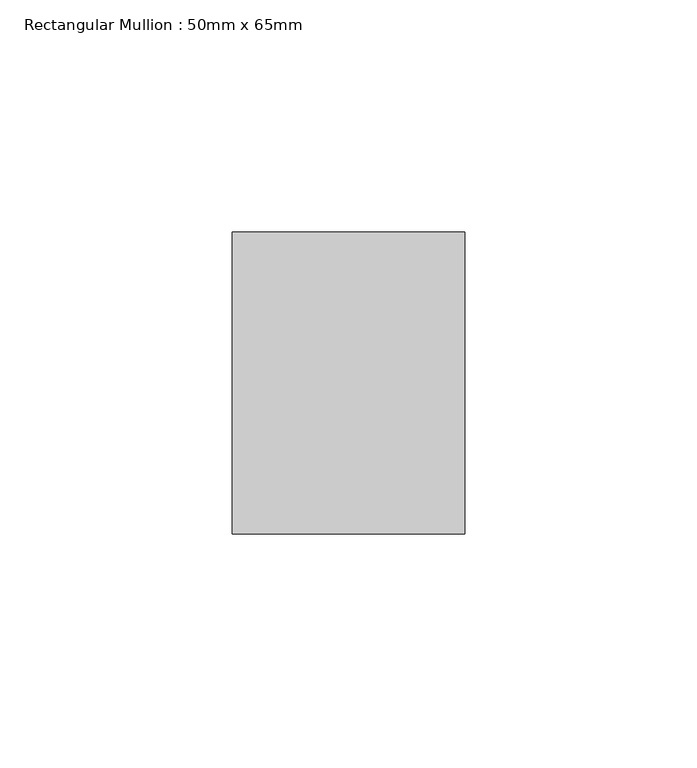
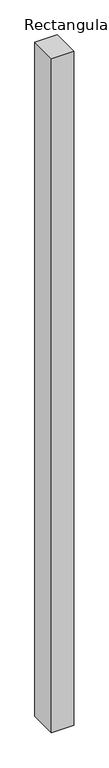
"""IFC4 building model written with IfcOpenShell, lengths in millimetres: member geometry, Rectangular Mullion : 50mm x 65mm."""

from ifc_helpers import new_model, si_unit, frame, origin, place, context, project, spatial, polyline, outline, extrude, source, transform, mapped, element, save


def rectangular_mullion_50mm_x_65mm_181cce0a(model_context):
    return source(origin(), model_context, "Body", "SweptSolid", [
        extrude(outline(polyline([(25.0, 32.5), (25.0, -32.5), (-25.0, -32.5), (-25.0, 32.5), (25.0, 32.5)])), frame((0.0, 0.0, -1612.9641193), z_axis=(0.0, 0.0, 1.0), x_axis=(1.0, 0.0, 0.0)), (0.0, 0.0, 1.0), 1612.9641193),
    ])


if __name__ == "__main__":
    model = new_model("IFC4")
    model_context = context("Model", 3, world=origin())
    ifc_project = project(units=[si_unit("LENGTHUNIT", "METRE", prefix="MILLI")], contexts=[model_context])
    site = spatial("IfcSite", under=ifc_project)
    building = spatial("IfcBuilding", under=site)
    placement = place(None, origin())
    rectangular_mullion_50mm_x_65mm_shape = rectangular_mullion_50mm_x_65mm_181cce0a(model_context)
    element("IfcMember", 1, ObjectType="Rectangular Mullion : 50mm x 65mm", at=placement, inside=building, context=model_context, shape_type="MappedRepresentation", body=[
        mapped(rectangular_mullion_50mm_x_65mm_shape, transform((0.0, 0.0, 0.0), x_axis=(1.0, 0.0, 0.0), y_axis=(0.0, 1.0, 0.0), z_axis=(0.0, 0.0, 1.0))),
    ])
    save(model, "model.ifc")
